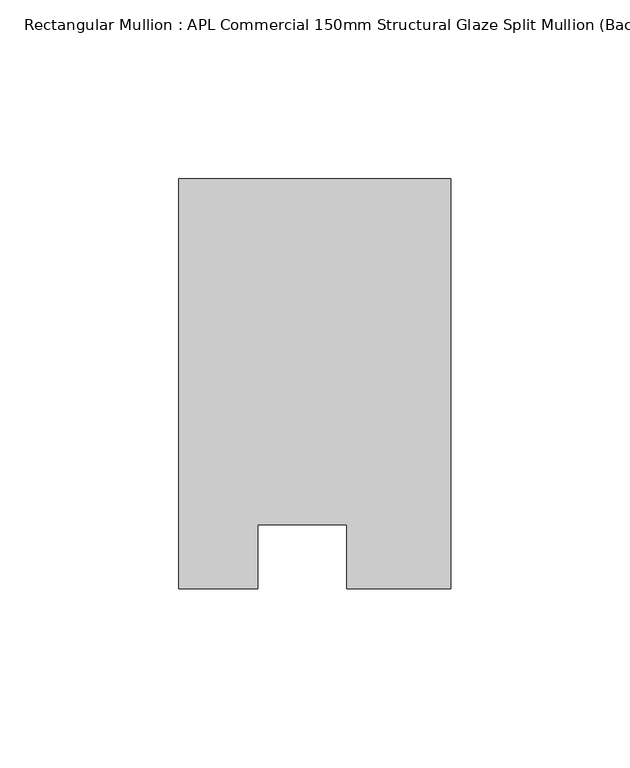
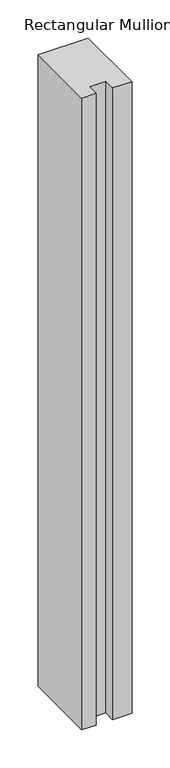
"""IFC4 building model written with IfcOpenShell, lengths in millimetres: member geometry, Rectangular Mullion : APL Commercial 150mm Structural Glaze Split Mullion (Back)."""

import ifcopenshell
import ifcopenshell.guid

model = None  # the IFC model being written
_history = None  # IfcOwnerHistory: only IFC2X3 demands one
_inside = {}  # id of a spatial element -> (the spatial element, [elements in it])
_under = {}  # id of a project, library or spatial element -> (it, [spatial elements below it])
_declared = {}  # id of a project -> (the project, [libraries it declares])
_typed = {}  # id of a type object -> (the type object, [elements of that type])
_made_of = {}  # id of a material, layer set ... -> (it, [elements and type objects made of it])


def new_model(schema):
    """Start an empty IFC model of exactly this schema.

    Asked for "IFC4X3", IfcOpenShell would pick the latest addendum, in which some entities
    have other attributes; the version numbers below select the first issue.
    IFC2X3 requires an IfcOwnerHistory on every rooted entity: one is made here for all.
    """
    global model, _history
    if schema == "IFC4X3":
        model = ifcopenshell.file(schema_version=(4, 3, 0, 0))
    else:
        model = ifcopenshell.file(schema=schema)
    _inside.clear()
    _under.clear()
    _declared.clear()
    _typed.clear()
    _made_of.clear()
    _history = None
    if model.schema == "IFC2X3":
        org = make("IfcOrganization", Name="unknown")
        user = make(
            "IfcPersonAndOrganization",
            ThePerson=make("IfcPerson", FamilyName="unknown"),
            TheOrganization=org,
        )
        app = make(
            "IfcApplication",
            ApplicationDeveloper=org,
            Version="unknown",
            ApplicationFullName="unknown",
            ApplicationIdentifier="unknown",
        )
        _history = make(
            "IfcOwnerHistory",
            OwningUser=user,
            OwningApplication=app,
            ChangeAction="ADDED",
            CreationDate=0,
        )
    return model


def make(cls, **values):
    """One entity of the class cls with the attributes given. An attribute that is None is left unset."""
    return model.create_entity(
        cls, **{name: value for name, value in values.items() if value is not None}
    )


def rooted(cls, **values):
    """An entity with a GlobalId (a new one), such as an element, a storey or a relation."""
    return make(cls, GlobalId=ifcopenshell.guid.new(), OwnerHistory=_history, **values)


def si_unit(unit_type, name, prefix=None):
    """IfcSIUnit, for example si_unit("LENGTHUNIT", "METRE", prefix="MILLI")."""
    return make("IfcSIUnit", UnitType=unit_type, Prefix=prefix, Name=name)


def assignment(units):
    """IfcUnitAssignment: the units of a project."""
    return None if units is None else make("IfcUnitAssignment", Units=units)


def point(xyz):
    """IfcCartesianPoint."""
    return None if xyz is None else make("IfcCartesianPoint", Coordinates=xyz)


def direction(xyz):
    """IfcDirection."""
    return None if xyz is None else make("IfcDirection", DirectionRatios=xyz)


def frame(location, z_axis=None, x_axis=None):
    """IfcAxis2Placement3D, a coordinate frame: its origin and axes. An axis left out is left unset."""
    return make(
        "IfcAxis2Placement3D",
        Location=point(location),
        Axis=direction(z_axis),
        RefDirection=direction(x_axis),
    )


def origin():
    """The frame at (0, 0, 0) with its axes left unset."""
    return frame((0.0, 0.0, 0.0))


def place(relative_to, where):
    """IfcLocalPlacement: puts the frame where relative to a parent placement (None: the world)."""
    return make(
        "IfcLocalPlacement", PlacementRelTo=relative_to, RelativePlacement=where
    )


def context(
    kind, dimensions, precision=None, world=None, true_north=None, identifier=None
):
    """IfcGeometricRepresentationContext, for example the 3D "Model" context."""
    return make(
        "IfcGeometricRepresentationContext",
        ContextIdentifier=identifier,
        ContextType=kind,
        CoordinateSpaceDimension=dimensions,
        Precision=precision,
        WorldCoordinateSystem=world,
        TrueNorth=true_north,
    )


def project(units=None, contexts=None):
    """IfcProject with its units and contexts."""
    return rooted(
        "IfcProject",
        Name="project",
        RepresentationContexts=contexts,
        UnitsInContext=assignment(units),
    )


def spatial(cls, under=None, at=None, **own):
    """A site, building, storey or space (cls), placed at a placement, below another one or the project."""
    s = rooted(cls, ObjectPlacement=at, **own)
    if under is not None:
        _under.setdefault(under.id(), (under, []))[1].append(s)
    return s


def polyline(points):
    """IfcPolyline through the points."""
    return make("IfcPolyline", Points=[point(p) for p in points])


def outline(outer, holes=None, kind="AREA"):
    """IfcArbitraryClosedProfileDef: a profile drawn as a closed curve; with holes, ...WithVoids."""
    if holes is None:
        return make("IfcArbitraryClosedProfileDef", ProfileType=kind, OuterCurve=outer)
    return make(
        "IfcArbitraryProfileDefWithVoids",
        ProfileType=kind,
        OuterCurve=outer,
        InnerCurves=holes,
    )


def extrude(swept, where, along, depth):
    """IfcExtrudedAreaSolid: the profile swept, set in the frame where, extruded along a direction by depth."""
    return make(
        "IfcExtrudedAreaSolid",
        SweptArea=swept,
        Position=where,
        ExtrudedDirection=direction(along),
        Depth=depth,
    )


def shape(context_of_items, identifier, shape_type, items):
    """IfcShapeRepresentation: the items that make up one representation, for example the "Body"."""
    return make(
        "IfcShapeRepresentation",
        ContextOfItems=context_of_items,
        RepresentationIdentifier=identifier,
        RepresentationType=shape_type,
        Items=items,
    )


def source(mapping_origin, context_of_items, identifier, shape_type, items):
    """IfcRepresentationMap: a shape defined once, which mapped items show again and again."""
    return make(
        "IfcRepresentationMap",
        MappingOrigin=mapping_origin,
        MappedRepresentation=shape(context_of_items, identifier, shape_type, items),
    )


def transform(
    local_origin,
    x_axis=None,
    y_axis=None,
    z_axis=None,
    scale=None,
    scale2=None,
    scale3=None,
    uniform=True,
):
    """IfcCartesianTransformationOperator3D, or its non-uniform kind. x_axis, y_axis, z_axis: its Axis1, 2, 3."""
    if uniform:
        return make(
            "IfcCartesianTransformationOperator3D",
            Axis1=direction(x_axis),
            Axis2=direction(y_axis),
            LocalOrigin=point(local_origin),
            Scale=scale,
            Axis3=direction(z_axis),
        )
    return make(
        "IfcCartesianTransformationOperator3DnonUniform",
        Axis1=direction(x_axis),
        Axis2=direction(y_axis),
        LocalOrigin=point(local_origin),
        Scale=scale,
        Axis3=direction(z_axis),
        Scale2=scale2,
        Scale3=scale3,
    )


def mapped(mapping_source, mapping_target):
    """IfcMappedItem: shows the shape of a source again, moved by a transform."""
    return make(
        "IfcMappedItem", MappingSource=mapping_source, MappingTarget=mapping_target
    )


def made_of(thing, what):
    """Note that an element or type object is made of a material, layer set ...; save() writes the relation."""
    if what is not None:
        _made_of.setdefault(what.id(), (what, []))[1].append(thing)
    return thing


def element(
    cls,
    number,
    at=None,
    inside=None,
    cuts=None,
    type_object=None,
    material=None,
    context=None,
    identifier="Body",
    shape_type=None,
    held_by="IfcProductDefinitionShape",
    body=None,
    shapes=None,
    **own,
):
    """One element of the class cls, such as IfcWall. Its Tag is "e" and its number.

    at: its placement. inside: the storey or other place that contains it. cuts: it is an
    opening in that element (IfcRelVoidsElement). A single representation is given by context,
    identifier, shape_type and body (its items); several are given by shapes. held_by: the class
    of the entity that holds the representations. save() writes the other relations.
    """
    e = rooted(cls, Tag="e%d" % number, ObjectPlacement=at, **own)
    if body is not None:
        shapes = [shape(context, identifier, shape_type, body)]
    if shapes is not None:
        e.Representation = make(held_by, Representations=shapes)
    if inside is not None:
        _inside.setdefault(inside.id(), (inside, []))[1].append(e)
    if cuts is not None:
        rooted(
            "IfcRelVoidsElement", RelatingBuildingElement=cuts, RelatedOpeningElement=e
        )
    if type_object is not None:
        _typed.setdefault(type_object.id(), (type_object, []))[1].append(e)
    return made_of(e, material)


def aggregate(whole, parts):
    """IfcRelAggregates: a whole, such as a stair, and the parts it consists of."""
    return rooted("IfcRelAggregates", RelatingObject=whole, RelatedObjects=parts)


def save(model, path):
    """Write the relations noted so far, then the file.

    IfcRelAggregates (storeys below a building ...), IfcRelContainedInSpatialStructure (elements
    in a storey), IfcRelDefinesByType, IfcRelAssociatesMaterial and IfcRelDeclares: one each for
    every whole, place, type object, material and project.
    """
    for whole, parts in _under.values():
        aggregate(whole, parts)
    for where, things in _inside.values():
        rooted(
            "IfcRelContainedInSpatialStructure",
            RelatedElements=things,
            RelatingStructure=where,
        )
    for kind, things in _typed.values():
        rooted("IfcRelDefinesByType", RelatedObjects=things, RelatingType=kind)
    for what, things in _made_of.values():
        rooted("IfcRelAssociatesMaterial", RelatedObjects=things, RelatingMaterial=what)
    for by, libraries in _declared.values():
        rooted("IfcRelDeclares", RelatingContext=by, RelatedDefinitions=libraries)
    model.write(path)


def rectangular_mullion_apl_commercial_150mm_structural_glaze_1c731096(model_context):
    return source(origin(), model_context, "Body", "SweptSolid", [
        extrude(outline(polyline([(37.9999914, 129.5195626), (37.9999914, 14.9960123), (9.0, 14.9960123), (9.0, 32.7960123), (-16.0, 32.7960123), (-16.0, 14.9960123), (-37.9999896, 14.9960123), (-37.9999896, 129.5195626), (37.9999914, 129.5195626)])), frame((0.0, 0.0, -1010.8333378), z_axis=(0.0, 0.0, 1.0), x_axis=(1.0, 0.0, 0.0)), (0.0, 0.0, 1.0), 1010.8333378),
    ])


if __name__ == "__main__":
    model = new_model("IFC4")
    model_context = context("Model", 3, world=origin())
    ifc_project = project(units=[si_unit("LENGTHUNIT", "METRE", prefix="MILLI")], contexts=[model_context])
    site = spatial("IfcSite", under=ifc_project)
    building = spatial("IfcBuilding", under=site)
    placement = place(None, origin())
    rectangular_mullion_apl_commercial_150mm_structural_glaze_shape = rectangular_mullion_apl_commercial_150mm_structural_glaze_1c731096(model_context)
    element("IfcMember", 1, ObjectType="Rectangular Mullion : APL Commercial 150mm Structural Glaze Split Mullion (Back)", at=placement, inside=building, context=model_context, shape_type="MappedRepresentation", body=[
        mapped(rectangular_mullion_apl_commercial_150mm_structural_glaze_shape, transform((0.0, 0.0, 0.0), x_axis=(1.0, 0.0, 0.0), y_axis=(0.0, 1.0, 0.0), z_axis=(0.0, 0.0, 1.0))),
    ])
    save(model, "model.ifc")
